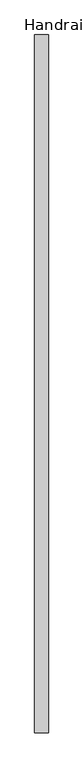
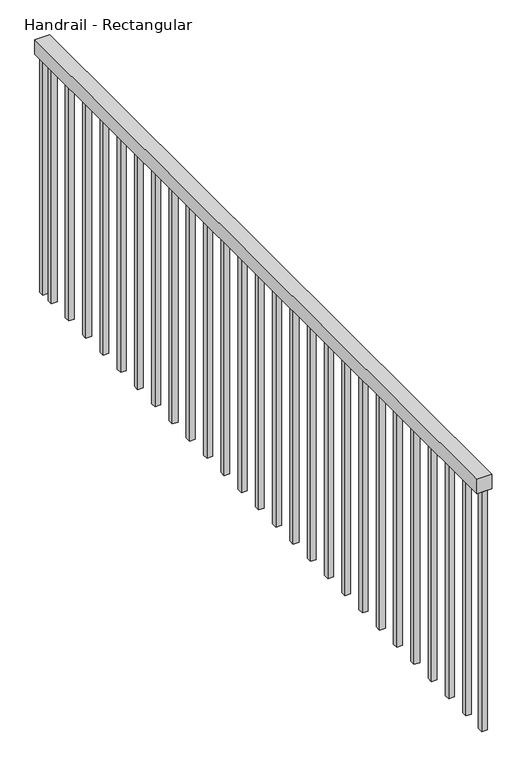
"""IFC4 building model written with IfcOpenShell, lengths in millimetres: railing geometry, Handrail - Rectangular."""

from ifc_helpers import new_model, si_unit, frame, origin, place, context, project, spatial, polyline, outline, extrude, source, transform, mapped, element, save


def handrail_rectangular_6633a934(model_context):
    return source(origin(), model_context, "Body", "SweptSolid", [
        extrude(outline(polyline([(8424.597955, 3469.653017), (8373.797955, 3469.653017), (8373.797955, 6069.653017), (8424.597955, 6069.653017), (8424.597955, 3469.653017)])), frame((0.0, 0.0, 3899.2), z_axis=(0.0, 0.0, 1.0), x_axis=(1.0, 0.0, 0.0)), (0.0, 0.0, 1.0), 50.8),
        extrude(outline(polyline([(8408.722955, 6000.128017), (8389.672955, 6000.128017), (8389.672955, 6019.178017), (8408.722955, 6019.178017), (8408.722955, 6000.128017)])), frame((0.0, 0.0, 3040.0), z_axis=(0.0, 0.0, 1.0), x_axis=(1.0, 0.0, 0.0)), (0.0, 0.0, 1.0), 859.2),
        extrude(outline(polyline([(8408.722955, 5898.528017), (8389.672955, 5898.528017), (8389.672955, 5917.578017), (8408.722955, 5917.578017), (8408.722955, 5898.528017)])), frame((0.0, 0.0, 3040.0), z_axis=(0.0, 0.0, 1.0), x_axis=(1.0, 0.0, 0.0)), (0.0, 0.0, 1.0), 859.2),
        extrude(outline(polyline([(8408.722955, 5796.928017), (8389.672955, 5796.928017), (8389.672955, 5815.978017), (8408.722955, 5815.978017), (8408.722955, 5796.928017)])), frame((0.0, 0.0, 3040.0), z_axis=(0.0, 0.0, 1.0), x_axis=(1.0, 0.0, 0.0)), (0.0, 0.0, 1.0), 859.2),
        extrude(outline(polyline([(8408.722955, 5695.328017), (8389.672955, 5695.328017), (8389.672955, 5714.378017), (8408.722955, 5714.378017), (8408.722955, 5695.328017)])), frame((0.0, 0.0, 3040.0), z_axis=(0.0, 0.0, 1.0), x_axis=(1.0, 0.0, 0.0)), (0.0, 0.0, 1.0), 859.2),
        extrude(outline(polyline([(8408.722955, 5593.728017), (8389.672955, 5593.728017), (8389.672955, 5612.778017), (8408.722955, 5612.778017), (8408.722955, 5593.728017)])), frame((0.0, 0.0, 3040.0), z_axis=(0.0, 0.0, 1.0), x_axis=(1.0, 0.0, 0.0)), (0.0, 0.0, 1.0), 859.2),
        extrude(outline(polyline([(8408.722955, 5492.128017), (8389.672955, 5492.128017), (8389.672955, 5511.178017), (8408.722955, 5511.178017), (8408.722955, 5492.128017)])), frame((0.0, 0.0, 3040.0), z_axis=(0.0, 0.0, 1.0), x_axis=(1.0, 0.0, 0.0)), (0.0, 0.0, 1.0), 859.2),
        extrude(outline(polyline([(8408.722955, 5390.528017), (8389.672955, 5390.528017), (8389.672955, 5409.578017), (8408.722955, 5409.578017), (8408.722955, 5390.528017)])), frame((0.0, 0.0, 3040.0), z_axis=(0.0, 0.0, 1.0), x_axis=(1.0, 0.0, 0.0)), (0.0, 0.0, 1.0), 859.2),
        extrude(outline(polyline([(8408.722955, 5288.928017), (8389.672955, 5288.928017), (8389.672955, 5307.978017), (8408.722955, 5307.978017), (8408.722955, 5288.928017)])), frame((0.0, 0.0, 3040.0), z_axis=(0.0, 0.0, 1.0), x_axis=(1.0, 0.0, 0.0)), (0.0, 0.0, 1.0), 859.2),
        extrude(outline(polyline([(8408.722955, 5187.328017), (8389.672955, 5187.328017), (8389.672955, 5206.378017), (8408.722955, 5206.378017), (8408.722955, 5187.328017)])), frame((0.0, 0.0, 3040.0), z_axis=(0.0, 0.0, 1.0), x_axis=(1.0, 0.0, 0.0)), (0.0, 0.0, 1.0), 859.2),
        extrude(outline(polyline([(8408.722955, 5085.728017), (8389.672955, 5085.728017), (8389.672955, 5104.778017), (8408.722955, 5104.778017), (8408.722955, 5085.728017)])), frame((0.0, 0.0, 3040.0), z_axis=(0.0, 0.0, 1.0), x_axis=(1.0, 0.0, 0.0)), (0.0, 0.0, 1.0), 859.2),
        extrude(outline(polyline([(8408.722955, 4984.128017), (8389.672955, 4984.128017), (8389.672955, 5003.178017), (8408.722955, 5003.178017), (8408.722955, 4984.128017)])), frame((0.0, 0.0, 3040.0), z_axis=(0.0, 0.0, 1.0), x_axis=(1.0, 0.0, 0.0)), (0.0, 0.0, 1.0), 859.2),
        extrude(outline(polyline([(8408.722955, 4882.528017), (8389.672955, 4882.528017), (8389.672955, 4901.578017), (8408.722955, 4901.578017), (8408.722955, 4882.528017)])), frame((0.0, 0.0, 3040.0), z_axis=(0.0, 0.0, 1.0), x_axis=(1.0, 0.0, 0.0)), (0.0, 0.0, 1.0), 859.2),
        extrude(outline(polyline([(8408.722955, 4780.928017), (8389.672955, 4780.928017), (8389.672955, 4799.978017), (8408.722955, 4799.978017), (8408.722955, 4780.928017)])), frame((0.0, 0.0, 3040.0), z_axis=(0.0, 0.0, 1.0), x_axis=(1.0, 0.0, 0.0)), (0.0, 0.0, 1.0), 859.2),
        extrude(outline(polyline([(8408.722955, 4679.328017), (8389.672955, 4679.328017), (8389.672955, 4698.378017), (8408.722955, 4698.378017), (8408.722955, 4679.328017)])), frame((0.0, 0.0, 3040.0), z_axis=(0.0, 0.0, 1.0), x_axis=(1.0, 0.0, 0.0)), (0.0, 0.0, 1.0), 859.2),
        extrude(outline(polyline([(8408.722955, 4577.728017), (8389.672955, 4577.728017), (8389.672955, 4596.778017), (8408.722955, 4596.778017), (8408.722955, 4577.728017)])), frame((0.0, 0.0, 3040.0), z_axis=(0.0, 0.0, 1.0), x_axis=(1.0, 0.0, 0.0)), (0.0, 0.0, 1.0), 859.2),
        extrude(outline(polyline([(8408.722955, 4476.128017), (8389.672955, 4476.128017), (8389.672955, 4495.178017), (8408.722955, 4495.178017), (8408.722955, 4476.128017)])), frame((0.0, 0.0, 3040.0), z_axis=(0.0, 0.0, 1.0), x_axis=(1.0, 0.0, 0.0)), (0.0, 0.0, 1.0), 859.2),
        extrude(outline(polyline([(8408.722955, 4374.528017), (8389.672955, 4374.528017), (8389.672955, 4393.578017), (8408.722955, 4393.578017), (8408.722955, 4374.528017)])), frame((0.0, 0.0, 3040.0), z_axis=(0.0, 0.0, 1.0), x_axis=(1.0, 0.0, 0.0)), (0.0, 0.0, 1.0), 859.2),
        extrude(outline(polyline([(8408.722955, 4272.928017), (8389.672955, 4272.928017), (8389.672955, 4291.978017), (8408.722955, 4291.978017), (8408.722955, 4272.928017)])), frame((0.0, 0.0, 3040.0), z_axis=(0.0, 0.0, 1.0), x_axis=(1.0, 0.0, 0.0)), (0.0, 0.0, 1.0), 859.2),
        extrude(outline(polyline([(8408.722955, 4171.328017), (8389.672955, 4171.328017), (8389.672955, 4190.378017), (8408.722955, 4190.378017), (8408.722955, 4171.328017)])), frame((0.0, 0.0, 3040.0), z_axis=(0.0, 0.0, 1.0), x_axis=(1.0, 0.0, 0.0)), (0.0, 0.0, 1.0), 859.2),
        extrude(outline(polyline([(8408.722955, 4069.728017), (8389.672955, 4069.728017), (8389.672955, 4088.778017), (8408.722955, 4088.778017), (8408.722955, 4069.728017)])), frame((0.0, 0.0, 3040.0), z_axis=(0.0, 0.0, 1.0), x_axis=(1.0, 0.0, 0.0)), (0.0, 0.0, 1.0), 859.2),
        extrude(outline(polyline([(8408.722955, 3968.128017), (8389.672955, 3968.128017), (8389.672955, 3987.178017), (8408.722955, 3987.178017), (8408.722955, 3968.128017)])), frame((0.0, 0.0, 3040.0), z_axis=(0.0, 0.0, 1.0), x_axis=(1.0, 0.0, 0.0)), (0.0, 0.0, 1.0), 859.2),
        extrude(outline(polyline([(8408.722955, 3866.528017), (8389.672955, 3866.528017), (8389.672955, 3885.578017), (8408.722955, 3885.578017), (8408.722955, 3866.528017)])), frame((0.0, 0.0, 3040.0), z_axis=(0.0, 0.0, 1.0), x_axis=(1.0, 0.0, 0.0)), (0.0, 0.0, 1.0), 859.2),
        extrude(outline(polyline([(8408.722955, 3764.928017), (8389.672955, 3764.928017), (8389.672955, 3783.978017), (8408.722955, 3783.978017), (8408.722955, 3764.928017)])), frame((0.0, 0.0, 3040.0), z_axis=(0.0, 0.0, 1.0), x_axis=(1.0, 0.0, 0.0)), (0.0, 0.0, 1.0), 859.2),
        extrude(outline(polyline([(8408.722955, 3663.328017), (8389.672955, 3663.328017), (8389.672955, 3682.378017), (8408.722955, 3682.378017), (8408.722955, 3663.328017)])), frame((0.0, 0.0, 3040.0), z_axis=(0.0, 0.0, 1.0), x_axis=(1.0, 0.0, 0.0)), (0.0, 0.0, 1.0), 859.2),
        extrude(outline(polyline([(8408.722955, 3561.728017), (8389.672955, 3561.728017), (8389.672955, 3580.778017), (8408.722955, 3580.778017), (8408.722955, 3561.728017)])), frame((0.0, 0.0, 3040.0), z_axis=(0.0, 0.0, 1.0), x_axis=(1.0, 0.0, 0.0)), (0.0, 0.0, 1.0), 859.2),
        extrude(outline(polyline([(8408.722955, 6050.628017), (8389.672955, 6050.628017), (8389.672955, 6069.678017), (8408.722955, 6069.678017), (8408.722955, 6050.628017)])), frame((0.0, 0.0, 3040.0), z_axis=(0.0, 0.0, 1.0), x_axis=(1.0, 0.0, 0.0)), (0.0, 0.0, 1.0), 859.2),
        extrude(outline(polyline([(8408.722955, 3469.628017), (8389.672955, 3469.628017), (8389.672955, 3488.678017), (8408.722955, 3488.678017), (8408.722955, 3469.628017)])), frame((0.0, 0.0, 3040.0), z_axis=(0.0, 0.0, 1.0), x_axis=(1.0, 0.0, 0.0)), (0.0, 0.0, 1.0), 859.2),
    ])


if __name__ == "__main__":
    model = new_model("IFC4")
    model_context = context("Model", 3, world=origin())
    ifc_project = project(units=[si_unit("LENGTHUNIT", "METRE", prefix="MILLI")], contexts=[model_context])
    site = spatial("IfcSite", under=ifc_project)
    building = spatial("IfcBuilding", under=site)
    placement = place(None, origin())
    handrail_rectangular_shape = handrail_rectangular_6633a934(model_context)
    element("IfcRailing", 1, ObjectType="Handrail - Rectangular", at=placement, inside=building, context=model_context, shape_type="MappedRepresentation", body=[
        mapped(handrail_rectangular_shape, transform((0.0, 0.0, 0.0), x_axis=(1.0, 0.0, 0.0), y_axis=(0.0, 1.0, 0.0), z_axis=(0.0, 0.0, 1.0))),
    ])
    save(model, "model.ifc")
